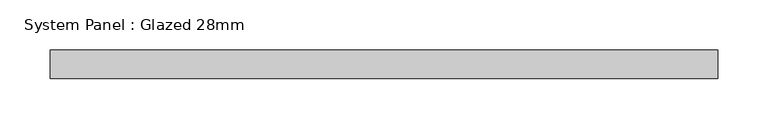
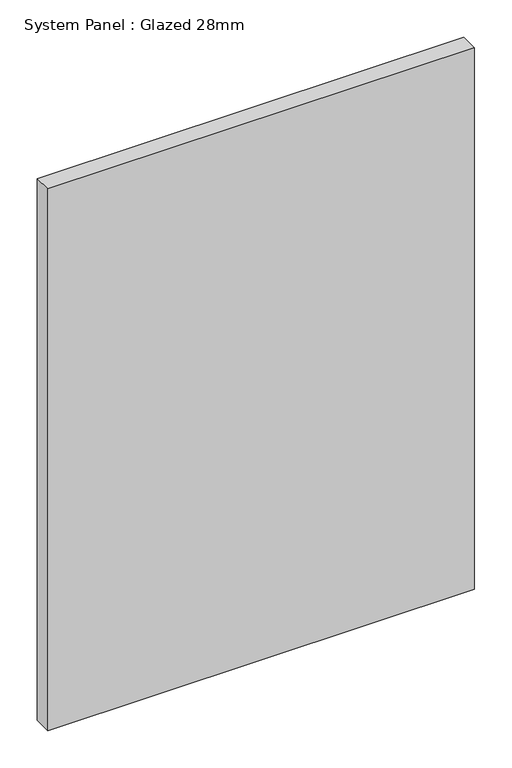
"""IFC4 building model written with IfcOpenShell, lengths in millimetres: plate geometry, System Panel : Glazed 28mm."""

import ifcopenshell
import ifcopenshell.guid

model = None  # the IFC model being written
_history = None  # IfcOwnerHistory: only IFC2X3 demands one
_inside = {}  # id of a spatial element -> (the spatial element, [elements in it])
_under = {}  # id of a project, library or spatial element -> (it, [spatial elements below it])
_declared = {}  # id of a project -> (the project, [libraries it declares])
_typed = {}  # id of a type object -> (the type object, [elements of that type])
_made_of = {}  # id of a material, layer set ... -> (it, [elements and type objects made of it])


def new_model(schema):
    """Start an empty IFC model of exactly this schema.

    Asked for "IFC4X3", IfcOpenShell would pick the latest addendum, in which some entities
    have other attributes; the version numbers below select the first issue.
    IFC2X3 requires an IfcOwnerHistory on every rooted entity: one is made here for all.
    """
    global model, _history
    if schema == "IFC4X3":
        model = ifcopenshell.file(schema_version=(4, 3, 0, 0))
    else:
        model = ifcopenshell.file(schema=schema)
    _inside.clear()
    _under.clear()
    _declared.clear()
    _typed.clear()
    _made_of.clear()
    _history = None
    if model.schema == "IFC2X3":
        org = make("IfcOrganization", Name="unknown")
        user = make(
            "IfcPersonAndOrganization",
            ThePerson=make("IfcPerson", FamilyName="unknown"),
            TheOrganization=org,
        )
        app = make(
            "IfcApplication",
            ApplicationDeveloper=org,
            Version="unknown",
            ApplicationFullName="unknown",
            ApplicationIdentifier="unknown",
        )
        _history = make(
            "IfcOwnerHistory",
            OwningUser=user,
            OwningApplication=app,
            ChangeAction="ADDED",
            CreationDate=0,
        )
    return model


def make(cls, **values):
    """One entity of the class cls with the attributes given. An attribute that is None is left unset."""
    return model.create_entity(
        cls, **{name: value for name, value in values.items() if value is not None}
    )


def rooted(cls, **values):
    """An entity with a GlobalId (a new one), such as an element, a storey or a relation."""
    return make(cls, GlobalId=ifcopenshell.guid.new(), OwnerHistory=_history, **values)


def si_unit(unit_type, name, prefix=None):
    """IfcSIUnit, for example si_unit("LENGTHUNIT", "METRE", prefix="MILLI")."""
    return make("IfcSIUnit", UnitType=unit_type, Prefix=prefix, Name=name)


def assignment(units):
    """IfcUnitAssignment: the units of a project."""
    return None if units is None else make("IfcUnitAssignment", Units=units)


def point(xyz):
    """IfcCartesianPoint."""
    return None if xyz is None else make("IfcCartesianPoint", Coordinates=xyz)


def direction(xyz):
    """IfcDirection."""
    return None if xyz is None else make("IfcDirection", DirectionRatios=xyz)


def frame(location, z_axis=None, x_axis=None):
    """IfcAxis2Placement3D, a coordinate frame: its origin and axes. An axis left out is left unset."""
    return make(
        "IfcAxis2Placement3D",
        Location=point(location),
        Axis=direction(z_axis),
        RefDirection=direction(x_axis),
    )


def origin():
    """The frame at (0, 0, 0) with its axes left unset."""
    return frame((0.0, 0.0, 0.0))


def origin_with_axes():
    """The frame at (0, 0, 0) with the z axis (0, 0, 1) and the x axis (1, 0, 0) written out."""
    return frame((0.0, 0.0, 0.0), z_axis=(0.0, 0.0, 1.0), x_axis=(1.0, 0.0, 0.0))


def place(relative_to, where):
    """IfcLocalPlacement: puts the frame where relative to a parent placement (None: the world)."""
    return make(
        "IfcLocalPlacement", PlacementRelTo=relative_to, RelativePlacement=where
    )


def context(
    kind, dimensions, precision=None, world=None, true_north=None, identifier=None
):
    """IfcGeometricRepresentationContext, for example the 3D "Model" context."""
    return make(
        "IfcGeometricRepresentationContext",
        ContextIdentifier=identifier,
        ContextType=kind,
        CoordinateSpaceDimension=dimensions,
        Precision=precision,
        WorldCoordinateSystem=world,
        TrueNorth=true_north,
    )


def project(units=None, contexts=None):
    """IfcProject with its units and contexts."""
    return rooted(
        "IfcProject",
        Name="project",
        RepresentationContexts=contexts,
        UnitsInContext=assignment(units),
    )


def spatial(cls, under=None, at=None, **own):
    """A site, building, storey or space (cls), placed at a placement, below another one or the project."""
    s = rooted(cls, ObjectPlacement=at, **own)
    if under is not None:
        _under.setdefault(under.id(), (under, []))[1].append(s)
    return s


def polyline(points):
    """IfcPolyline through the points."""
    return make("IfcPolyline", Points=[point(p) for p in points])


def outline(outer, holes=None, kind="AREA"):
    """IfcArbitraryClosedProfileDef: a profile drawn as a closed curve; with holes, ...WithVoids."""
    if holes is None:
        return make("IfcArbitraryClosedProfileDef", ProfileType=kind, OuterCurve=outer)
    return make(
        "IfcArbitraryProfileDefWithVoids",
        ProfileType=kind,
        OuterCurve=outer,
        InnerCurves=holes,
    )


def extrude(swept, where, along, depth):
    """IfcExtrudedAreaSolid: the profile swept, set in the frame where, extruded along a direction by depth."""
    return make(
        "IfcExtrudedAreaSolid",
        SweptArea=swept,
        Position=where,
        ExtrudedDirection=direction(along),
        Depth=depth,
    )


def shape(context_of_items, identifier, shape_type, items):
    """IfcShapeRepresentation: the items that make up one representation, for example the "Body"."""
    return make(
        "IfcShapeRepresentation",
        ContextOfItems=context_of_items,
        RepresentationIdentifier=identifier,
        RepresentationType=shape_type,
        Items=items,
    )


def source(mapping_origin, context_of_items, identifier, shape_type, items):
    """IfcRepresentationMap: a shape defined once, which mapped items show again and again."""
    return make(
        "IfcRepresentationMap",
        MappingOrigin=mapping_origin,
        MappedRepresentation=shape(context_of_items, identifier, shape_type, items),
    )


def transform(
    local_origin,
    x_axis=None,
    y_axis=None,
    z_axis=None,
    scale=None,
    scale2=None,
    scale3=None,
    uniform=True,
):
    """IfcCartesianTransformationOperator3D, or its non-uniform kind. x_axis, y_axis, z_axis: its Axis1, 2, 3."""
    if uniform:
        return make(
            "IfcCartesianTransformationOperator3D",
            Axis1=direction(x_axis),
            Axis2=direction(y_axis),
            LocalOrigin=point(local_origin),
            Scale=scale,
            Axis3=direction(z_axis),
        )
    return make(
        "IfcCartesianTransformationOperator3DnonUniform",
        Axis1=direction(x_axis),
        Axis2=direction(y_axis),
        LocalOrigin=point(local_origin),
        Scale=scale,
        Axis3=direction(z_axis),
        Scale2=scale2,
        Scale3=scale3,
    )


def mapped(mapping_source, mapping_target):
    """IfcMappedItem: shows the shape of a source again, moved by a transform."""
    return make(
        "IfcMappedItem", MappingSource=mapping_source, MappingTarget=mapping_target
    )


def made_of(thing, what):
    """Note that an element or type object is made of a material, layer set ...; save() writes the relation."""
    if what is not None:
        _made_of.setdefault(what.id(), (what, []))[1].append(thing)
    return thing


def element(
    cls,
    number,
    at=None,
    inside=None,
    cuts=None,
    type_object=None,
    material=None,
    context=None,
    identifier="Body",
    shape_type=None,
    held_by="IfcProductDefinitionShape",
    body=None,
    shapes=None,
    **own,
):
    """One element of the class cls, such as IfcWall. Its Tag is "e" and its number.

    at: its placement. inside: the storey or other place that contains it. cuts: it is an
    opening in that element (IfcRelVoidsElement). A single representation is given by context,
    identifier, shape_type and body (its items); several are given by shapes. held_by: the class
    of the entity that holds the representations. save() writes the other relations.
    """
    e = rooted(cls, Tag="e%d" % number, ObjectPlacement=at, **own)
    if body is not None:
        shapes = [shape(context, identifier, shape_type, body)]
    if shapes is not None:
        e.Representation = make(held_by, Representations=shapes)
    if inside is not None:
        _inside.setdefault(inside.id(), (inside, []))[1].append(e)
    if cuts is not None:
        rooted(
            "IfcRelVoidsElement", RelatingBuildingElement=cuts, RelatedOpeningElement=e
        )
    if type_object is not None:
        _typed.setdefault(type_object.id(), (type_object, []))[1].append(e)
    return made_of(e, material)


def aggregate(whole, parts):
    """IfcRelAggregates: a whole, such as a stair, and the parts it consists of."""
    return rooted("IfcRelAggregates", RelatingObject=whole, RelatedObjects=parts)


def save(model, path):
    """Write the relations noted so far, then the file.

    IfcRelAggregates (storeys below a building ...), IfcRelContainedInSpatialStructure (elements
    in a storey), IfcRelDefinesByType, IfcRelAssociatesMaterial and IfcRelDeclares: one each for
    every whole, place, type object, material and project.
    """
    for whole, parts in _under.values():
        aggregate(whole, parts)
    for where, things in _inside.values():
        rooted(
            "IfcRelContainedInSpatialStructure",
            RelatedElements=things,
            RelatingStructure=where,
        )
    for kind, things in _typed.values():
        rooted("IfcRelDefinesByType", RelatedObjects=things, RelatingType=kind)
    for what, things in _made_of.values():
        rooted("IfcRelAssociatesMaterial", RelatedObjects=things, RelatingMaterial=what)
    for by, libraries in _declared.values():
        rooted("IfcRelDeclares", RelatingContext=by, RelatedDefinitions=libraries)
    model.write(path)


def system_panel_glazed_28mm_639f1d6e(model_context):
    return source(origin(), model_context, "Body", "SweptSolid", [
        extrude(outline(polyline([(330.5938607, -14.0), (-330.5938607, -14.0), (-330.5938607, 14.0), (330.5938607, 14.0), (330.5938607, -14.0)])), origin_with_axes(), (0.0, 0.0, 1.0), 887.6852275),
    ])


if __name__ == "__main__":
    model = new_model("IFC4")
    model_context = context("Model", 3, world=origin())
    ifc_project = project(units=[si_unit("LENGTHUNIT", "METRE", prefix="MILLI")], contexts=[model_context])
    site = spatial("IfcSite", under=ifc_project)
    building = spatial("IfcBuilding", under=site)
    placement = place(None, origin())
    system_panel_glazed_28mm_shape = system_panel_glazed_28mm_639f1d6e(model_context)
    element("IfcPlate", 1, ObjectType="System Panel : Glazed 28mm", at=placement, inside=building, context=model_context, shape_type="MappedRepresentation", body=[
        mapped(system_panel_glazed_28mm_shape, transform((0.0, 0.0, 0.0), x_axis=(1.0, 0.0, 0.0), y_axis=(0.0, 1.0, 0.0), z_axis=(0.0, 0.0, 1.0))),
    ])
    save(model, "model.ifc")
